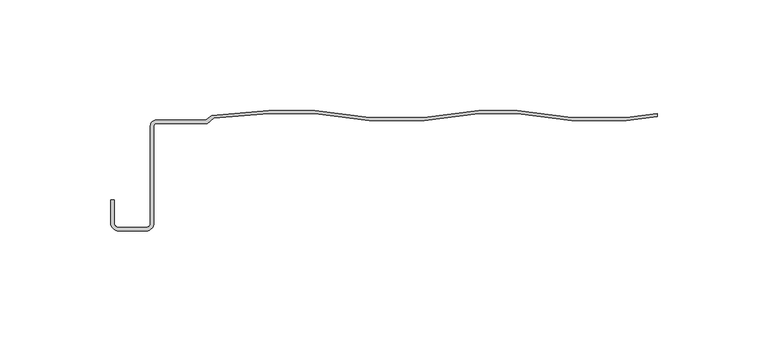
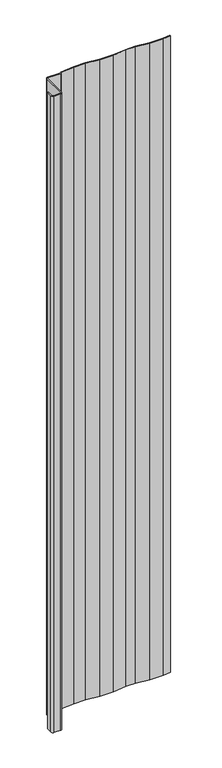
"""IFC4 building model written with IfcOpenShell, lengths in millimetres: plate geometry."""

from ifc_helpers import new_model, si_unit, point, frame_2d, origin, origin_with_axes, place, context, project, spatial, polyline, circle_curve, trimmed, segment, composite_curve, outline, extrude, source, transform, mapped, element, save


def plate_0243a87d(model_context):
    return source(origin(), model_context, "Body", "SweptSolid", [
        extrude(outline(composite_curve([segment(polyline([(101.0212082, -4.4573985), (76.3381522, -4.4573985), (51.6550962, -1.3720165), (34.3718436, -1.3720165), (9.6887876, -4.4573985), (-14.9942684, -4.4573985), (-39.6773244, -1.3720165), (-60.3171581, -1.3720165), (-85.1846653, -3.4443088), (-88.2621045, -5.7523882), (-111.1147953, -5.7523882)]), True, "CONTINUOUS"), segment(trimmed(circle_curve(frame_2d((-111.1147953, -6.8647214)), 1.1123332), [point((-111.1147953, -5.7523882))], [point((-112.2271286, -6.8647214))], True, "CARTESIAN"), True, "CONTINUOUS"), segment(polyline([(-112.2271286, -6.8647214), (-112.2271286, -50.802476)]), True, "CONTINUOUS"), segment(trimmed(circle_curve(frame_2d((-115.759489, -50.802476)), 3.5323605), [point((-112.2271286, -50.802476))], [point((-115.759489, -54.3348365))], False, "CARTESIAN"), True, "CONTINUOUS"), segment(polyline([(-115.759489, -54.3348365), (-128.145339, -54.3348365)]), True, "CONTINUOUS"), segment(trimmed(circle_curve(frame_2d((-128.145339, -50.802476)), 3.5323605), [point((-128.145339, -54.3348365))], [point((-131.6776994, -50.802476))], False, "CARTESIAN"), True, "CONTINUOUS"), segment(polyline([(-131.6776994, -50.802476), (-131.6776994, -40.3959688), (-130.1246817, -40.3959688), (-130.1246817, -50.802476)]), True, "CONTINUOUS"), segment(trimmed(circle_curve(frame_2d((-128.145339, -50.802476)), 1.9793427), [point((-130.1246817, -50.802476))], [point((-128.145339, -52.7818187))], True, "CARTESIAN"), True, "CONTINUOUS"), segment(polyline([(-128.145339, -52.7818187), (-115.759489, -52.7818187)]), True, "CONTINUOUS"), segment(trimmed(circle_curve(frame_2d((-115.759489, -50.802476)), 1.9793427), [point((-115.759489, -52.7818187))], [point((-113.7801463, -50.802476))], True, "CARTESIAN"), True, "CONTINUOUS"), segment(polyline([(-113.7801463, -50.802476), (-113.7801463, -6.8647214)]), True, "CONTINUOUS"), segment(trimmed(circle_curve(frame_2d((-111.1147953, -6.8647214)), 2.665351), [point((-113.7801463, -6.8647214))], [point((-111.1147953, -4.1993704))], False, "CARTESIAN"), True, "CONTINUOUS"), segment(polyline([(-111.1147953, -4.1993704), (-88.7797771, -4.1993704), (-86.0314153, -2.1380991), (-60.3742266, 0.0), (-39.5919057, 0.0), (-14.9088497, -3.085382), (9.6033689, -3.085382), (34.2864249, 0.0), (51.7405149, 0.0), (76.4235709, -3.085382), (100.9357895, -3.085382), (114.9042607, -1.3393231), (114.9042607, -2.722017), (101.0212082, -4.4573985)]), True, "CONTINUOUS")], self_intersect=False)), origin_with_axes(), (0.0, 0.0, 1.0), 1228.3559792),
    ])


if __name__ == "__main__":
    model = new_model("IFC4")
    model_context = context("Model", 3, world=origin())
    ifc_project = project(units=[si_unit("LENGTHUNIT", "METRE", prefix="MILLI")], contexts=[model_context])
    site = spatial("IfcSite", under=ifc_project)
    building = spatial("IfcBuilding", under=site)
    placement = place(None, origin())
    plate_shape = plate_0243a87d(model_context)
    element("IfcPlate", 1, at=placement, inside=building, context=model_context, shape_type="MappedRepresentation", body=[
        mapped(plate_shape, transform((0.0, 0.0, 0.0), x_axis=(1.0, 0.0, 0.0), y_axis=(0.0, 1.0, 0.0), z_axis=(0.0, 0.0, 1.0))),
    ])
    save(model, "model.ifc")
